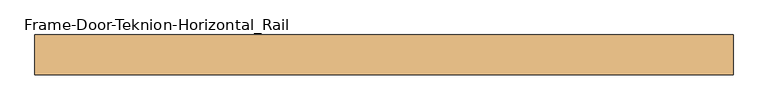
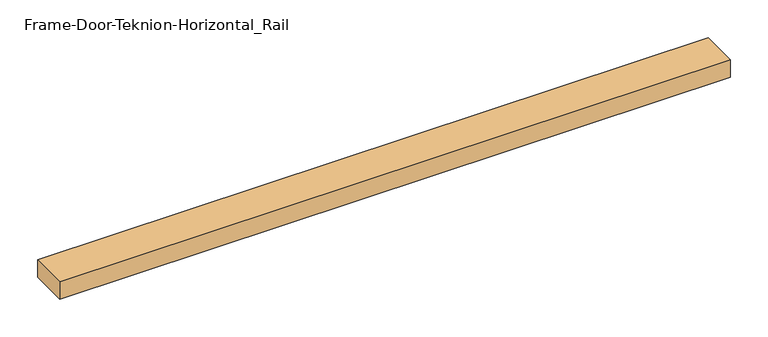
"""IFC4 building model written with IfcOpenShell, lengths in millimetres: door geometry, Frame-Door-Teknion-Horizontal_Rail."""

import ifcopenshell
import ifcopenshell.guid

model = None  # the IFC model being written
_history = None  # IfcOwnerHistory: only IFC2X3 demands one
_inside = {}  # id of a spatial element -> (the spatial element, [elements in it])
_under = {}  # id of a project, library or spatial element -> (it, [spatial elements below it])
_declared = {}  # id of a project -> (the project, [libraries it declares])
_typed = {}  # id of a type object -> (the type object, [elements of that type])
_made_of = {}  # id of a material, layer set ... -> (it, [elements and type objects made of it])


def new_model(schema):
    """Start an empty IFC model of exactly this schema.

    Asked for "IFC4X3", IfcOpenShell would pick the latest addendum, in which some entities
    have other attributes; the version numbers below select the first issue.
    IFC2X3 requires an IfcOwnerHistory on every rooted entity: one is made here for all.
    """
    global model, _history
    if schema == "IFC4X3":
        model = ifcopenshell.file(schema_version=(4, 3, 0, 0))
    else:
        model = ifcopenshell.file(schema=schema)
    _inside.clear()
    _under.clear()
    _declared.clear()
    _typed.clear()
    _made_of.clear()
    _history = None
    if model.schema == "IFC2X3":
        org = make("IfcOrganization", Name="unknown")
        user = make(
            "IfcPersonAndOrganization",
            ThePerson=make("IfcPerson", FamilyName="unknown"),
            TheOrganization=org,
        )
        app = make(
            "IfcApplication",
            ApplicationDeveloper=org,
            Version="unknown",
            ApplicationFullName="unknown",
            ApplicationIdentifier="unknown",
        )
        _history = make(
            "IfcOwnerHistory",
            OwningUser=user,
            OwningApplication=app,
            ChangeAction="ADDED",
            CreationDate=0,
        )
    return model


def make(cls, **values):
    """One entity of the class cls with the attributes given. An attribute that is None is left unset."""
    return model.create_entity(
        cls, **{name: value for name, value in values.items() if value is not None}
    )


def rooted(cls, **values):
    """An entity with a GlobalId (a new one), such as an element, a storey or a relation."""
    return make(cls, GlobalId=ifcopenshell.guid.new(), OwnerHistory=_history, **values)


def si_unit(unit_type, name, prefix=None):
    """IfcSIUnit, for example si_unit("LENGTHUNIT", "METRE", prefix="MILLI")."""
    return make("IfcSIUnit", UnitType=unit_type, Prefix=prefix, Name=name)


def assignment(units):
    """IfcUnitAssignment: the units of a project."""
    return None if units is None else make("IfcUnitAssignment", Units=units)


def point(xyz):
    """IfcCartesianPoint."""
    return None if xyz is None else make("IfcCartesianPoint", Coordinates=xyz)


def direction(xyz):
    """IfcDirection."""
    return None if xyz is None else make("IfcDirection", DirectionRatios=xyz)


def frame(location, z_axis=None, x_axis=None):
    """IfcAxis2Placement3D, a coordinate frame: its origin and axes. An axis left out is left unset."""
    return make(
        "IfcAxis2Placement3D",
        Location=point(location),
        Axis=direction(z_axis),
        RefDirection=direction(x_axis),
    )


def origin():
    """The frame at (0, 0, 0) with its axes left unset."""
    return frame((0.0, 0.0, 0.0))


def place(relative_to, where):
    """IfcLocalPlacement: puts the frame where relative to a parent placement (None: the world)."""
    return make(
        "IfcLocalPlacement", PlacementRelTo=relative_to, RelativePlacement=where
    )


def context(
    kind, dimensions, precision=None, world=None, true_north=None, identifier=None
):
    """IfcGeometricRepresentationContext, for example the 3D "Model" context."""
    return make(
        "IfcGeometricRepresentationContext",
        ContextIdentifier=identifier,
        ContextType=kind,
        CoordinateSpaceDimension=dimensions,
        Precision=precision,
        WorldCoordinateSystem=world,
        TrueNorth=true_north,
    )


def project(units=None, contexts=None):
    """IfcProject with its units and contexts."""
    return rooted(
        "IfcProject",
        Name="project",
        RepresentationContexts=contexts,
        UnitsInContext=assignment(units),
    )


def spatial(cls, under=None, at=None, **own):
    """A site, building, storey or space (cls), placed at a placement, below another one or the project."""
    s = rooted(cls, ObjectPlacement=at, **own)
    if under is not None:
        _under.setdefault(under.id(), (under, []))[1].append(s)
    return s


def polyline(points):
    """IfcPolyline through the points."""
    return make("IfcPolyline", Points=[point(p) for p in points])


def outline(outer, holes=None, kind="AREA"):
    """IfcArbitraryClosedProfileDef: a profile drawn as a closed curve; with holes, ...WithVoids."""
    if holes is None:
        return make("IfcArbitraryClosedProfileDef", ProfileType=kind, OuterCurve=outer)
    return make(
        "IfcArbitraryProfileDefWithVoids",
        ProfileType=kind,
        OuterCurve=outer,
        InnerCurves=holes,
    )


def extrude(swept, where, along, depth):
    """IfcExtrudedAreaSolid: the profile swept, set in the frame where, extruded along a direction by depth."""
    return make(
        "IfcExtrudedAreaSolid",
        SweptArea=swept,
        Position=where,
        ExtrudedDirection=direction(along),
        Depth=depth,
    )


def shape(context_of_items, identifier, shape_type, items):
    """IfcShapeRepresentation: the items that make up one representation, for example the "Body"."""
    return make(
        "IfcShapeRepresentation",
        ContextOfItems=context_of_items,
        RepresentationIdentifier=identifier,
        RepresentationType=shape_type,
        Items=items,
    )


def source(mapping_origin, context_of_items, identifier, shape_type, items):
    """IfcRepresentationMap: a shape defined once, which mapped items show again and again."""
    return make(
        "IfcRepresentationMap",
        MappingOrigin=mapping_origin,
        MappedRepresentation=shape(context_of_items, identifier, shape_type, items),
    )


def transform(
    local_origin,
    x_axis=None,
    y_axis=None,
    z_axis=None,
    scale=None,
    scale2=None,
    scale3=None,
    uniform=True,
):
    """IfcCartesianTransformationOperator3D, or its non-uniform kind. x_axis, y_axis, z_axis: its Axis1, 2, 3."""
    if uniform:
        return make(
            "IfcCartesianTransformationOperator3D",
            Axis1=direction(x_axis),
            Axis2=direction(y_axis),
            LocalOrigin=point(local_origin),
            Scale=scale,
            Axis3=direction(z_axis),
        )
    return make(
        "IfcCartesianTransformationOperator3DnonUniform",
        Axis1=direction(x_axis),
        Axis2=direction(y_axis),
        LocalOrigin=point(local_origin),
        Scale=scale,
        Axis3=direction(z_axis),
        Scale2=scale2,
        Scale3=scale3,
    )


def mapped(mapping_source, mapping_target):
    """IfcMappedItem: shows the shape of a source again, moved by a transform."""
    return make(
        "IfcMappedItem", MappingSource=mapping_source, MappingTarget=mapping_target
    )


def made_of(thing, what):
    """Note that an element or type object is made of a material, layer set ...; save() writes the relation."""
    if what is not None:
        _made_of.setdefault(what.id(), (what, []))[1].append(thing)
    return thing


def element(
    cls,
    number,
    at=None,
    inside=None,
    cuts=None,
    type_object=None,
    material=None,
    context=None,
    identifier="Body",
    shape_type=None,
    held_by="IfcProductDefinitionShape",
    body=None,
    shapes=None,
    **own,
):
    """One element of the class cls, such as IfcWall. Its Tag is "e" and its number.

    at: its placement. inside: the storey or other place that contains it. cuts: it is an
    opening in that element (IfcRelVoidsElement). A single representation is given by context,
    identifier, shape_type and body (its items); several are given by shapes. held_by: the class
    of the entity that holds the representations. save() writes the other relations.
    """
    e = rooted(cls, Tag="e%d" % number, ObjectPlacement=at, **own)
    if body is not None:
        shapes = [shape(context, identifier, shape_type, body)]
    if shapes is not None:
        e.Representation = make(held_by, Representations=shapes)
    if inside is not None:
        _inside.setdefault(inside.id(), (inside, []))[1].append(e)
    if cuts is not None:
        rooted(
            "IfcRelVoidsElement", RelatingBuildingElement=cuts, RelatedOpeningElement=e
        )
    if type_object is not None:
        _typed.setdefault(type_object.id(), (type_object, []))[1].append(e)
    return made_of(e, material)


def aggregate(whole, parts):
    """IfcRelAggregates: a whole, such as a stair, and the parts it consists of."""
    return rooted("IfcRelAggregates", RelatingObject=whole, RelatedObjects=parts)


def save(model, path):
    """Write the relations noted so far, then the file.

    IfcRelAggregates (storeys below a building ...), IfcRelContainedInSpatialStructure (elements
    in a storey), IfcRelDefinesByType, IfcRelAssociatesMaterial and IfcRelDeclares: one each for
    every whole, place, type object, material and project.
    """
    for whole, parts in _under.values():
        aggregate(whole, parts)
    for where, things in _inside.values():
        rooted(
            "IfcRelContainedInSpatialStructure",
            RelatedElements=things,
            RelatingStructure=where,
        )
    for kind, things in _typed.values():
        rooted("IfcRelDefinesByType", RelatedObjects=things, RelatingType=kind)
    for what, things in _made_of.values():
        rooted("IfcRelAssociatesMaterial", RelatedObjects=things, RelatingMaterial=what)
    for by, libraries in _declared.values():
        rooted("IfcRelDeclares", RelatingContext=by, RelatedDefinitions=libraries)
    model.write(path)


def frame_door_teknion_horizontal_rail_bdd692f0(model_context):
    return source(origin(), model_context, "Body", "SweptSolid", [
        extrude(outline(polyline([(-512.4152344, 29.2199219), (512.4152344, 29.2199219), (512.4152344, -29.2199219), (-512.4152344, -29.2199219), (-512.4152344, 29.2199219)])), frame((0.0, 0.0, -13.9898438), z_axis=(0.0, 0.0, 1.0), x_axis=(1.0, 0.0, 0.0)), (0.0, 0.0, 1.0), 27.9796875),
    ])


if __name__ == "__main__":
    model = new_model("IFC4")
    model_context = context("Model", 3, world=origin())
    ifc_project = project(units=[si_unit("LENGTHUNIT", "METRE", prefix="MILLI")], contexts=[model_context])
    site = spatial("IfcSite", under=ifc_project)
    building = spatial("IfcBuilding", under=site)
    placement = place(None, origin())
    frame_door_teknion_horizontal_rail_shape = frame_door_teknion_horizontal_rail_bdd692f0(model_context)
    element("IfcDoor", 1, ObjectType="Frame-Door-Teknion-Horizontal_Rail", at=placement, inside=building, context=model_context, shape_type="MappedRepresentation", body=[
        mapped(frame_door_teknion_horizontal_rail_shape, transform((0.0, 0.0, 0.0), x_axis=(1.0, 0.0, 0.0), y_axis=(0.0, 1.0, 0.0), z_axis=(0.0, 0.0, 1.0))),
    ])
    save(model, "model.ifc")
